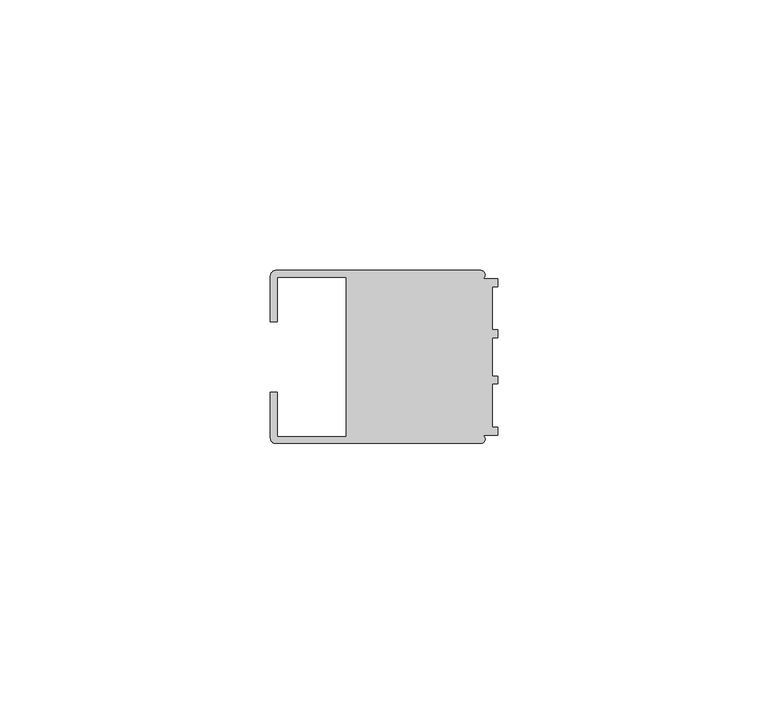
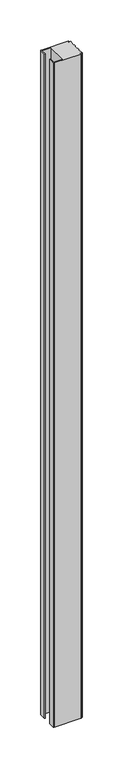
"""IFC4 building model written with IfcOpenShell, lengths in millimetres: member geometry."""

from ifc_helpers import new_model, si_unit, point, frame, frame_2d, origin, place, context, project, spatial, polyline, circle_curve, trimmed, segment, composite_curve, outline, extrude, source, transform, mapped, element, save


def member_407e5292(model_context):
    return source(origin(), model_context, "Body", "SweptSolid", [
        extrude(outline(composite_curve([segment(polyline([(-42.0, -6.4992596), (-40.7495396, -6.4992596), (-40.7495396, -14.748825), (-28.0, -14.748825), (-28.0, 14.7490791), (-40.7495396, 14.7490791), (-40.7495396, 6.4995138), (-42.0, 6.4995138), (-42.0, 14.9988146)]), True, "CONTINUOUS"), segment(trimmed(circle_curve(frame_2d((-40.9988146, 14.9988146)), 1.0011854), [point((-42.0, 14.9988146))], [point((-40.9988146, 16.0))], False, "CARTESIAN"), True, "CONTINUOUS"), segment(polyline([(-40.9988146, 16.0), (-3.1117213, 16.0)]), True, "CONTINUOUS"), segment(trimmed(circle_curve(frame_2d((-3.1117213, 15.2000428)), 0.7999572), [point((-3.1117213, 16.0))], [point((-2.7237818, 14.5004469))], False, "CARTESIAN"), True, "CONTINUOUS"), segment(polyline([(-2.7237818, 14.5004469), (0.0, 14.5004469), (0.0, 13.0002136), (-0.999267, 13.0002136), (-0.999267, 5.0005709), (0.0, 5.0005709), (0.0, 3.5391588), (-0.999267, 3.5001879), (-0.999267, -3.5001879), (0.0, -3.5378881), (0.0, -4.9993001), (-0.999267, -4.9993001), (-0.999267, -12.9993664), (0.0, -12.9993664), (0.0, -14.4989182), (-2.7260256, -14.4989182)]), True, "CONTINUOUS"), segment(trimmed(circle_curve(frame_2d((-3.1117577, -15.2001372)), 0.8003107), [point((-2.7260256, -14.4989182))], [point((-3.1385263, -16.0))], False, "CARTESIAN"), True, "CONTINUOUS"), segment(polyline([(-3.1385263, -16.0), (-40.998921, -16.0)]), True, "CONTINUOUS"), segment(trimmed(circle_curve(frame_2d((-40.998921, -14.998921)), 1.001079), [point((-40.998921, -16.0))], [point((-42.0, -14.998921))], False, "CARTESIAN"), True, "CONTINUOUS"), segment(polyline([(-42.0, -14.998921), (-42.0, -6.4992596)]), True, "CONTINUOUS")], self_intersect=False)), frame((0.0, 0.0, -1000.0000001), z_axis=(0.0, 0.0, 1.0), x_axis=(1.0, 0.0, 0.0)), (0.0, 0.0, 1.0), 1000.0000001),
    ])


if __name__ == "__main__":
    model = new_model("IFC4")
    model_context = context("Model", 3, world=origin())
    ifc_project = project(units=[si_unit("LENGTHUNIT", "METRE", prefix="MILLI")], contexts=[model_context])
    site = spatial("IfcSite", under=ifc_project)
    building = spatial("IfcBuilding", under=site)
    placement = place(None, origin())
    member_shape = member_407e5292(model_context)
    element("IfcMember", 1, at=placement, inside=building, context=model_context, shape_type="MappedRepresentation", body=[
        mapped(member_shape, transform((0.0, 0.0, 0.0), x_axis=(1.0, 0.0, 0.0), y_axis=(0.0, 1.0, 0.0), z_axis=(0.0, 0.0, 1.0))),
    ])
    save(model, "model.ifc")
